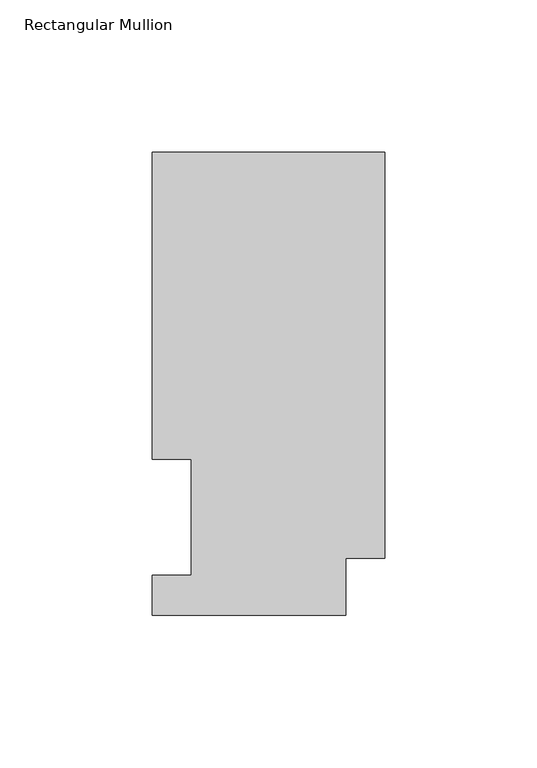
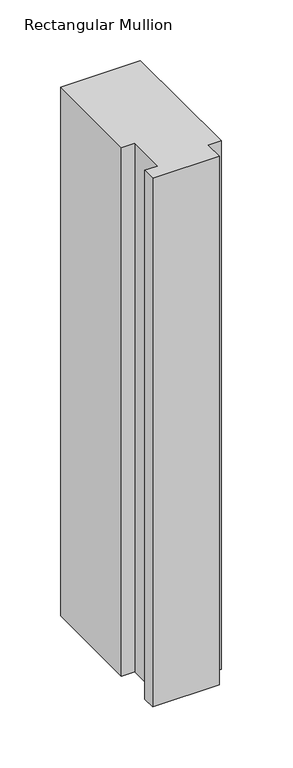
"""IFC4 building model written with IfcOpenShell, lengths in millimetres: member geometry, Rectangular Mullion."""

from ifc_helpers import new_model, si_unit, frame, origin, place, context, project, spatial, polyline, outline, extrude, source, transform, mapped, element, save


def rectangular_mullion_359f7265(model_context):
    return source(origin(), model_context, "Body", "SweptSolid", [
        extrude(outline(polyline([(0.0, 151.9816938), (0.0, 18.7332938), (-12.7, 18.7332938), (-12.7, 0.0134937), (-76.2, 0.0134937), (-76.2, 13.1960937), (-63.5, 13.1960937), (-63.5, 51.2960937), (-76.2, 51.2960937), (-76.2, 151.9816937), (0.0, 151.9816938)])), frame((0.0, 0.0, -533.4), z_axis=(0.0, 0.0, 1.0), x_axis=(1.0, 0.0, 0.0)), (0.0, 0.0, 1.0), 533.4),
    ])


if __name__ == "__main__":
    model = new_model("IFC4")
    model_context = context("Model", 3, world=origin())
    ifc_project = project(units=[si_unit("LENGTHUNIT", "METRE", prefix="MILLI")], contexts=[model_context])
    site = spatial("IfcSite", under=ifc_project)
    building = spatial("IfcBuilding", under=site)
    placement = place(None, origin())
    rectangular_mullion_shape = rectangular_mullion_359f7265(model_context)
    element("IfcMember", 1, ObjectType="Rectangular Mullion", at=placement, inside=building, context=model_context, shape_type="MappedRepresentation", body=[
        mapped(rectangular_mullion_shape, transform((0.0, 0.0, 0.0), x_axis=(1.0, 0.0, 0.0), y_axis=(0.0, 1.0, 0.0), z_axis=(0.0, 0.0, 1.0))),
    ])
    save(model, "model.ifc")
